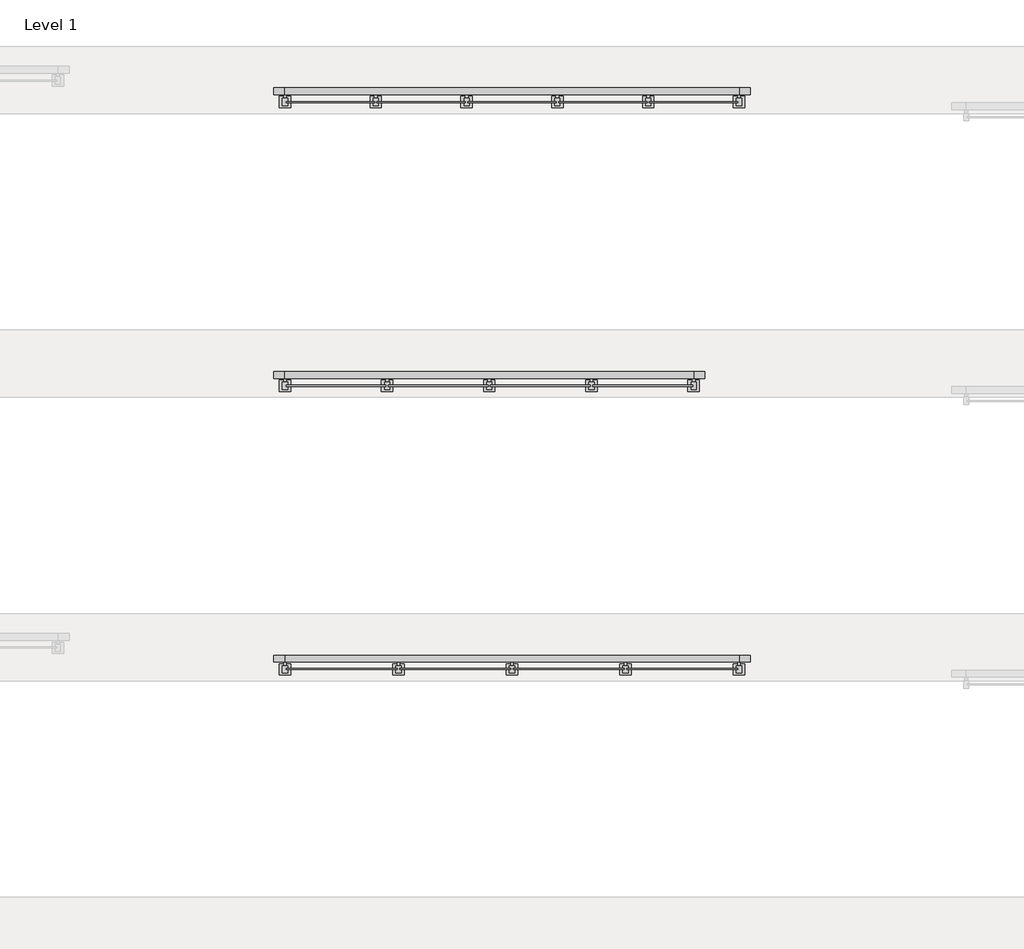
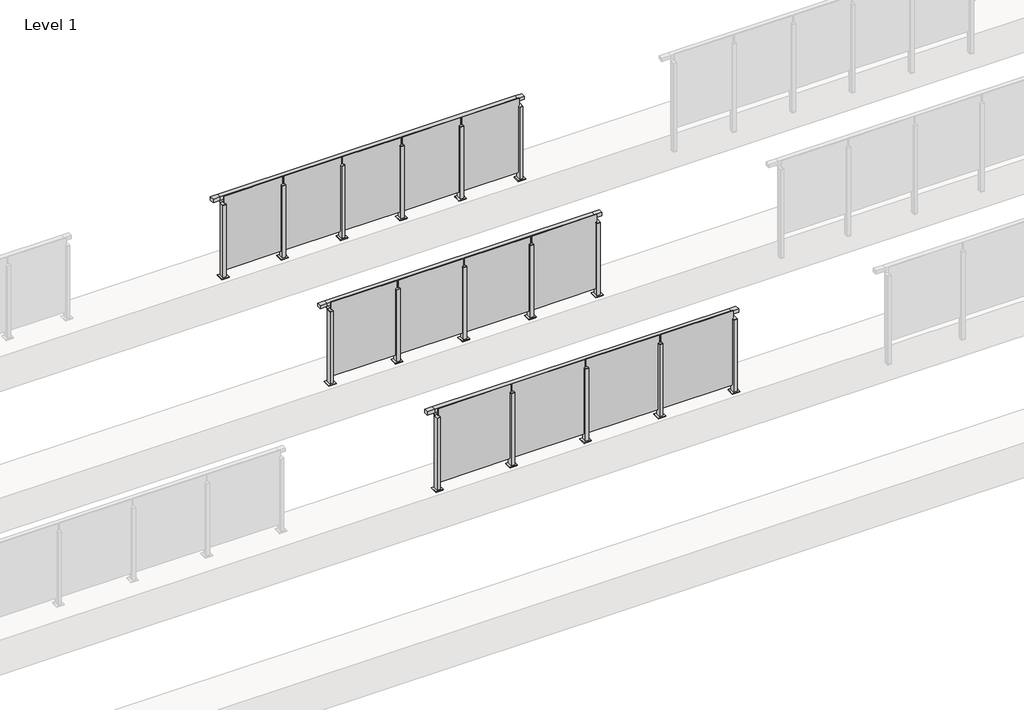
# One storey, part 18 of 38: 3 railings.
"""IFC4 building model written with IfcOpenShell, lengths in millimetres."""

from ifc_helpers import new_model, si_unit, point, frame, frame_2d, origin, origin_with_axes, place, context, project, spatial, polyline, circle_curve, trimmed, segment, composite_curve, outline, extrude, faceted_brep, element, save

model = new_model("IFC4")

# Units and contexts
model_context = context("Model", 3, world=origin())
ifc_project = project(units=[si_unit("LENGTHUNIT", "METRE", prefix="MILLI")], contexts=[model_context])

# Site, building, storey
site = spatial("IfcSite", under=ifc_project)
building = spatial("IfcBuilding", under=site)
storey = spatial("IfcBuildingStorey", under=building, Name="Level 1", Elevation=0.0)

# Railings
placement = place(None, origin())
element("IfcRailing", 1, at=placement, inside=storey, context=model_context, shape_type="SolidModel", body=[
    faceted_brep([(35376.1884576, 2625.6846828, 1100.0), (35376.1884576, 2625.6846828, 1052.5), (35376.1884576, 2565.6846828, 1052.5), (35376.1884576, 2565.6846828, 1100.0), (35476.1884576, 2625.6846828, 1100.0), (35476.1884576, 2625.6846828, 1052.5), (35476.1884576, 2565.6846828, 1052.5), (35476.1884576, 2565.6846828, 1100.0), (39476.1884576, 2625.6846828, 1100.0), (39476.1884576, 2625.6846828, 1052.5), (39476.1884576, 2565.6846828, 1052.5), (39476.1884576, 2565.6846828, 1100.0), (39576.1884576, 2625.6846828, 1100.0), (39576.1884576, 2565.6846828, 1100.0), (39576.1884576, 2565.6846828, 1052.5), (39576.1884576, 2625.6846828, 1052.5)], [[[0, 1, 2, 3]], [[1, 0, 4, 5]], [[2, 1, 5, 6]], [[3, 2, 6, 7]], [[0, 3, 7, 4]], [[5, 4, 8, 9]], [[6, 5, 9, 10]], [[7, 6, 10, 11]], [[4, 7, 11, 8]], [[12, 13, 14, 15]], [[9, 8, 12, 15]], [[10, 9, 15, 14]], [[11, 10, 14, 13]], [[8, 11, 13, 12]]]),
    extrude(outline(polyline([(38486.1884576, 2499.4094929), (38486.1884576, 2509.4094929), (39466.1884576, 2509.4094929), (39466.1884576, 2499.4094929), (38486.1884576, 2499.4094929)])), frame((0.0, 0.0, 95.0), z_axis=(0.0, 0.0, 1.0), x_axis=(1.0, 0.0, 0.0)), (0.0, 0.0, 1.0), 1055.0),
    extrude(outline(composite_curve([segment(polyline([(2620.6846828, 1085.0), (2620.6846828, 1060.900037)]), True, "CONTINUOUS"), segment(trimmed(circle_curve(frame_2d((2610.6846828, 1060.900037)), 10.0), [point((2620.6846828, 1060.900037))], [point((2613.2728733, 1051.2407787))], False, "CARTESIAN"), True, "CONTINUOUS"), segment(polyline([(2613.2728733, 1051.2407787), (2556.2244733, 1035.9547061)]), True, "CONTINUOUS"), segment(trimmed(circle_curve(frame_2d((2558.8126638, 1026.2954478)), 10.0), [point((2556.2244733, 1035.9547061))], [point((2548.8982152, 1027.6007097))], True, "CARTESIAN"), True, "CONTINUOUS"), segment(polyline([(2548.8982152, 1027.6007097), (2544.291393, 992.6084214)]), True, "CONTINUOUS"), segment(trimmed(circle_curve(frame_2d((2541.3170584, 993.0)), 3.0), [point((2544.291393, 992.6084214))], [point((2541.3170584, 990.0))], False, "CARTESIAN"), True, "CONTINUOUS"), segment(polyline([(2541.3170584, 990.0), (2532.6846828, 990.0), (2532.6846828, 1040.0), (2596.6846828, 1057.1487483), (2596.6846828, 1085.0), (2620.6846828, 1085.0)]), True, "CONTINUOUS")], self_intersect=False)), frame((38463.6884576, 0.0, 0.0), z_axis=(1.0, 0.0, 0.0), x_axis=(0.0, 1.0, 0.0)), (0.0, 0.0, 1.0), 25.0),
    extrude(outline(polyline([(38498.6884576, 2532.6846828), (38498.6884576, 2467.6846828), (38453.6884576, 2467.6846828), (38453.6884576, 2532.6846828), (38498.6884576, 2532.6846828)])), frame((0.0, 0.0, 1040.0), z_axis=(0.0, 0.0, 1.0), x_axis=(1.0, 0.0, 0.0)), (0.0, 0.0, 1.0), 5.0),
    extrude(outline(polyline([(38526.1884576, 2550.1846828), (38526.1884576, 2450.1846828), (38426.1884576, 2450.1846828), (38426.1884576, 2550.1846828), (38526.1884576, 2550.1846828)])), origin_with_axes(), (0.0, 0.0, 1.0), 12.0),
    extrude(outline(polyline([(38498.6884576, 2532.6846828), (38498.6884576, 2467.6846828), (38453.6884576, 2467.6846828), (38453.6884576, 2532.6846828), (38498.6884576, 2532.6846828)])), frame((0.0, 0.0, 12.0), z_axis=(0.0, 0.0, 1.0), x_axis=(1.0, 0.0, 0.0)), (0.0, 0.0, 1.0), 1028.0),
    extrude(outline(polyline([(37486.1884576, 2499.4094929), (37486.1884576, 2509.4094929), (38466.1884576, 2509.4094929), (38466.1884576, 2499.4094929), (37486.1884576, 2499.4094929)])), frame((0.0, 0.0, 95.0), z_axis=(0.0, 0.0, 1.0), x_axis=(1.0, 0.0, 0.0)), (0.0, 0.0, 1.0), 1055.0),
    extrude(outline(composite_curve([segment(polyline([(2620.6846828, 1085.0), (2620.6846828, 1060.900037)]), True, "CONTINUOUS"), segment(trimmed(circle_curve(frame_2d((2610.6846828, 1060.900037)), 10.0), [point((2620.6846828, 1060.900037))], [point((2613.2728733, 1051.2407787))], False, "CARTESIAN"), True, "CONTINUOUS"), segment(polyline([(2613.2728733, 1051.2407787), (2556.2244733, 1035.9547061)]), True, "CONTINUOUS"), segment(trimmed(circle_curve(frame_2d((2558.8126638, 1026.2954478)), 10.0), [point((2556.2244733, 1035.9547061))], [point((2548.8982152, 1027.6007097))], True, "CARTESIAN"), True, "CONTINUOUS"), segment(polyline([(2548.8982152, 1027.6007097), (2544.291393, 992.6084214)]), True, "CONTINUOUS"), segment(trimmed(circle_curve(frame_2d((2541.3170584, 993.0)), 3.0), [point((2544.291393, 992.6084214))], [point((2541.3170584, 990.0))], False, "CARTESIAN"), True, "CONTINUOUS"), segment(polyline([(2541.3170584, 990.0), (2532.6846828, 990.0), (2532.6846828, 1040.0), (2596.6846828, 1057.1487483), (2596.6846828, 1085.0), (2620.6846828, 1085.0)]), True, "CONTINUOUS")], self_intersect=False)), frame((37463.6884576, 0.0, 0.0), z_axis=(1.0, 0.0, 0.0), x_axis=(0.0, 1.0, 0.0)), (0.0, 0.0, 1.0), 25.0),
    extrude(outline(polyline([(37498.6884576, 2532.6846828), (37498.6884576, 2467.6846828), (37453.6884576, 2467.6846828), (37453.6884576, 2532.6846828), (37498.6884576, 2532.6846828)])), frame((0.0, 0.0, 1040.0), z_axis=(0.0, 0.0, 1.0), x_axis=(1.0, 0.0, 0.0)), (0.0, 0.0, 1.0), 5.0),
    extrude(outline(polyline([(37526.1884576, 2550.1846828), (37526.1884576, 2450.1846828), (37426.1884576, 2450.1846828), (37426.1884576, 2550.1846828), (37526.1884576, 2550.1846828)])), origin_with_axes(), (0.0, 0.0, 1.0), 12.0),
    extrude(outline(polyline([(37498.6884576, 2532.6846828), (37498.6884576, 2467.6846828), (37453.6884576, 2467.6846828), (37453.6884576, 2532.6846828), (37498.6884576, 2532.6846828)])), frame((0.0, 0.0, 12.0), z_axis=(0.0, 0.0, 1.0), x_axis=(1.0, 0.0, 0.0)), (0.0, 0.0, 1.0), 1028.0),
    extrude(outline(polyline([(36486.1884576, 2499.4094929), (36486.1884576, 2509.4094929), (37466.1884576, 2509.4094929), (37466.1884576, 2499.4094929), (36486.1884576, 2499.4094929)])), frame((0.0, 0.0, 95.0), z_axis=(0.0, 0.0, 1.0), x_axis=(1.0, 0.0, 0.0)), (0.0, 0.0, 1.0), 1055.0),
    extrude(outline(composite_curve([segment(polyline([(2620.6846828, 1085.0), (2620.6846828, 1060.900037)]), True, "CONTINUOUS"), segment(trimmed(circle_curve(frame_2d((2610.6846828, 1060.900037)), 10.0), [point((2620.6846828, 1060.900037))], [point((2613.2728733, 1051.2407787))], False, "CARTESIAN"), True, "CONTINUOUS"), segment(polyline([(2613.2728733, 1051.2407787), (2556.2244733, 1035.9547061)]), True, "CONTINUOUS"), segment(trimmed(circle_curve(frame_2d((2558.8126638, 1026.2954478)), 10.0), [point((2556.2244733, 1035.9547061))], [point((2548.8982152, 1027.6007097))], True, "CARTESIAN"), True, "CONTINUOUS"), segment(polyline([(2548.8982152, 1027.6007097), (2544.291393, 992.6084214)]), True, "CONTINUOUS"), segment(trimmed(circle_curve(frame_2d((2541.3170584, 993.0)), 3.0), [point((2544.291393, 992.6084214))], [point((2541.3170584, 990.0))], False, "CARTESIAN"), True, "CONTINUOUS"), segment(polyline([(2541.3170584, 990.0), (2532.6846828, 990.0), (2532.6846828, 1040.0), (2596.6846828, 1057.1487483), (2596.6846828, 1085.0), (2620.6846828, 1085.0)]), True, "CONTINUOUS")], self_intersect=False)), frame((36463.6884576, 0.0, 0.0), z_axis=(1.0, 0.0, 0.0), x_axis=(0.0, 1.0, 0.0)), (0.0, 0.0, 1.0), 25.0),
    extrude(outline(polyline([(36498.6884576, 2532.6846828), (36498.6884576, 2467.6846828), (36453.6884576, 2467.6846828), (36453.6884576, 2532.6846828), (36498.6884576, 2532.6846828)])), frame((0.0, 0.0, 1040.0), z_axis=(0.0, 0.0, 1.0), x_axis=(1.0, 0.0, 0.0)), (0.0, 0.0, 1.0), 5.0),
    extrude(outline(polyline([(36526.1884576, 2550.1846828), (36526.1884576, 2450.1846828), (36426.1884576, 2450.1846828), (36426.1884576, 2550.1846828), (36526.1884576, 2550.1846828)])), origin_with_axes(), (0.0, 0.0, 1.0), 12.0),
    extrude(outline(polyline([(36498.6884576, 2532.6846828), (36498.6884576, 2467.6846828), (36453.6884576, 2467.6846828), (36453.6884576, 2532.6846828), (36498.6884576, 2532.6846828)])), frame((0.0, 0.0, 12.0), z_axis=(0.0, 0.0, 1.0), x_axis=(1.0, 0.0, 0.0)), (0.0, 0.0, 1.0), 1028.0),
    extrude(outline(polyline([(35486.1884576, 2499.4094929), (35486.1884576, 2509.4094929), (36466.1884576, 2509.4094929), (36466.1884576, 2499.4094929), (35486.1884576, 2499.4094929)])), frame((0.0, 0.0, 95.0), z_axis=(0.0, 0.0, 1.0), x_axis=(1.0, 0.0, 0.0)), (0.0, 0.0, 1.0), 1055.0),
    extrude(outline(composite_curve([segment(polyline([(2620.6846828, 1085.0), (2620.6846828, 1060.900037)]), True, "CONTINUOUS"), segment(trimmed(circle_curve(frame_2d((2610.6846828, 1060.900037)), 10.0), [point((2620.6846828, 1060.900037))], [point((2613.2728733, 1051.2407787))], False, "CARTESIAN"), True, "CONTINUOUS"), segment(polyline([(2613.2728733, 1051.2407787), (2556.2244733, 1035.9547061)]), True, "CONTINUOUS"), segment(trimmed(circle_curve(frame_2d((2558.8126638, 1026.2954478)), 10.0), [point((2556.2244733, 1035.9547061))], [point((2548.8982152, 1027.6007097))], True, "CARTESIAN"), True, "CONTINUOUS"), segment(polyline([(2548.8982152, 1027.6007097), (2544.291393, 992.6084214)]), True, "CONTINUOUS"), segment(trimmed(circle_curve(frame_2d((2541.3170584, 993.0)), 3.0), [point((2544.291393, 992.6084214))], [point((2541.3170584, 990.0))], False, "CARTESIAN"), True, "CONTINUOUS"), segment(polyline([(2541.3170584, 990.0), (2532.6846828, 990.0), (2532.6846828, 1040.0), (2596.6846828, 1057.1487483), (2596.6846828, 1085.0), (2620.6846828, 1085.0)]), True, "CONTINUOUS")], self_intersect=False)), frame((39463.6884576, 0.0, 0.0), z_axis=(1.0, 0.0, 0.0), x_axis=(0.0, 1.0, 0.0)), (0.0, 0.0, 1.0), 25.0),
    extrude(outline(polyline([(39498.6884576, 2532.6846828), (39498.6884576, 2467.6846828), (39453.6884576, 2467.6846828), (39453.6884576, 2532.6846828), (39498.6884576, 2532.6846828)])), frame((0.0, 0.0, 1040.0), z_axis=(0.0, 0.0, 1.0), x_axis=(1.0, 0.0, 0.0)), (0.0, 0.0, 1.0), 5.0),
    extrude(outline(polyline([(39526.1884576, 2550.1846828), (39526.1884576, 2450.1846828), (39426.1884576, 2450.1846828), (39426.1884576, 2550.1846828), (39526.1884576, 2550.1846828)])), origin_with_axes(), (0.0, 0.0, 1.0), 12.0),
    extrude(outline(polyline([(39498.6884576, 2532.6846828), (39498.6884576, 2467.6846828), (39453.6884576, 2467.6846828), (39453.6884576, 2532.6846828), (39498.6884576, 2532.6846828)])), frame((0.0, 0.0, 12.0), z_axis=(0.0, 0.0, 1.0), x_axis=(1.0, 0.0, 0.0)), (0.0, 0.0, 1.0), 1028.0),
    extrude(outline(composite_curve([segment(polyline([(2620.6846828, 1085.0), (2620.6846828, 1060.900037)]), True, "CONTINUOUS"), segment(trimmed(circle_curve(frame_2d((2610.6846828, 1060.900037)), 10.0), [point((2620.6846828, 1060.900037))], [point((2613.2728733, 1051.2407787))], False, "CARTESIAN"), True, "CONTINUOUS"), segment(polyline([(2613.2728733, 1051.2407787), (2556.2244733, 1035.9547061)]), True, "CONTINUOUS"), segment(trimmed(circle_curve(frame_2d((2558.8126638, 1026.2954478)), 10.0), [point((2556.2244733, 1035.9547061))], [point((2548.8982152, 1027.6007097))], True, "CARTESIAN"), True, "CONTINUOUS"), segment(polyline([(2548.8982152, 1027.6007097), (2544.291393, 992.6084214)]), True, "CONTINUOUS"), segment(trimmed(circle_curve(frame_2d((2541.3170584, 993.0)), 3.0), [point((2544.291393, 992.6084214))], [point((2541.3170584, 990.0))], False, "CARTESIAN"), True, "CONTINUOUS"), segment(polyline([(2541.3170584, 990.0), (2532.6846828, 990.0), (2532.6846828, 1040.0), (2596.6846828, 1057.1487483), (2596.6846828, 1085.0), (2620.6846828, 1085.0)]), True, "CONTINUOUS")], self_intersect=False)), frame((35463.6884576, 0.0, 0.0), z_axis=(1.0, 0.0, 0.0), x_axis=(0.0, 1.0, 0.0)), (0.0, 0.0, 1.0), 25.0),
    extrude(outline(polyline([(35498.6884576, 2532.6846828), (35498.6884576, 2467.6846828), (35453.6884576, 2467.6846828), (35453.6884576, 2532.6846828), (35498.6884576, 2532.6846828)])), frame((0.0, 0.0, 1040.0), z_axis=(0.0, 0.0, 1.0), x_axis=(1.0, 0.0, 0.0)), (0.0, 0.0, 1.0), 5.0),
    extrude(outline(polyline([(35526.1884576, 2550.1846828), (35526.1884576, 2450.1846828), (35426.1884576, 2450.1846828), (35426.1884576, 2550.1846828), (35526.1884576, 2550.1846828)])), origin_with_axes(), (0.0, 0.0, 1.0), 12.0),
    extrude(outline(polyline([(35498.6884576, 2532.6846828), (35498.6884576, 2467.6846828), (35453.6884576, 2467.6846828), (35453.6884576, 2532.6846828), (35498.6884576, 2532.6846828)])), frame((0.0, 0.0, 12.0), z_axis=(0.0, 0.0, 1.0), x_axis=(1.0, 0.0, 0.0)), (0.0, 0.0, 1.0), 1028.0),
])
element("IfcRailing", 2, at=placement, inside=storey, context=model_context, shape_type="SolidModel", body=[
    faceted_brep([(35476.1884576, 5125.6846828, 1052.5), (35476.1884576, 5125.6846828, 1100.0), (39076.1884576, 5125.6846828, 1100.0), (39076.1884576, 5125.6846828, 1052.5), (35476.1884576, 5065.6846828, 1052.5), (39076.1884576, 5065.6846828, 1052.5), (35476.1884576, 5065.6846828, 1100.0), (39076.1884576, 5065.6846828, 1100.0), (35376.1884576, 5125.6846828, 1100.0), (35376.1884576, 5125.6846828, 1052.5), (35376.1884576, 5065.6846828, 1052.5), (35376.1884576, 5065.6846828, 1100.0), (39176.1884576, 5125.6846828, 1100.0), (39176.1884576, 5065.6846828, 1100.0), (39176.1884576, 5065.6846828, 1052.5), (39176.1884576, 5125.6846828, 1052.5)], [[[0, 1, 2, 3]], [[4, 0, 3, 5]], [[6, 4, 5, 7]], [[1, 6, 7, 2]], [[8, 9, 10, 11]], [[9, 8, 1, 0]], [[10, 9, 0, 4]], [[11, 10, 4, 6]], [[8, 11, 6, 1]], [[12, 13, 14, 15]], [[3, 2, 12, 15]], [[5, 3, 15, 14]], [[7, 5, 14, 13]], [[2, 7, 13, 12]]]),
    extrude(outline(polyline([(38186.1884576, 4994.4094929), (38186.1884576, 5004.4094929), (39066.1884576, 5004.4094929), (39066.1884576, 4994.4094929), (38186.1884576, 4994.4094929)])), frame((0.0, 0.0, 95.0), z_axis=(0.0, 0.0, 1.0), x_axis=(1.0, 0.0, 0.0)), (0.0, 0.0, 1.0), 1055.0),
    extrude(outline(composite_curve([segment(polyline([(5120.6846828, 1085.0), (5120.6846828, 1060.900037)]), True, "CONTINUOUS"), segment(trimmed(circle_curve(frame_2d((5110.6846828, 1060.900037)), 10.0), [point((5120.6846828, 1060.900037))], [point((5113.2728733, 1051.2407787))], False, "CARTESIAN"), True, "CONTINUOUS"), segment(polyline([(5113.2728733, 1051.2407787), (5056.2244733, 1035.9547061)]), True, "CONTINUOUS"), segment(trimmed(circle_curve(frame_2d((5058.8126638, 1026.2954478)), 10.0), [point((5056.2244733, 1035.9547061))], [point((5048.8982152, 1027.6007097))], True, "CARTESIAN"), True, "CONTINUOUS"), segment(polyline([(5048.8982152, 1027.6007097), (5044.291393, 992.6084214)]), True, "CONTINUOUS"), segment(trimmed(circle_curve(frame_2d((5041.3170584, 993.0)), 3.0), [point((5044.291393, 992.6084214))], [point((5041.3170584, 990.0))], False, "CARTESIAN"), True, "CONTINUOUS"), segment(polyline([(5041.3170584, 990.0), (5032.6846828, 990.0), (5032.6846828, 1040.0), (5096.6846828, 1057.1487483), (5096.6846828, 1085.0), (5120.6846828, 1085.0)]), True, "CONTINUOUS")], self_intersect=False)), frame((38163.6884576, 0.0, 0.0), z_axis=(1.0, 0.0, 0.0), x_axis=(0.0, 1.0, 0.0)), (0.0, 0.0, 1.0), 25.0),
    extrude(outline(polyline([(38198.6884576, 5032.6846828), (38198.6884576, 4967.6846828), (38153.6884576, 4967.6846828), (38153.6884576, 5032.6846828), (38198.6884576, 5032.6846828)])), frame((0.0, 0.0, 1040.0), z_axis=(0.0, 0.0, 1.0), x_axis=(1.0, 0.0, 0.0)), (0.0, 0.0, 1.0), 5.0),
    extrude(outline(polyline([(38226.1884576, 5050.1846828), (38226.1884576, 4950.1846828), (38126.1884576, 4950.1846828), (38126.1884576, 5050.1846828), (38226.1884576, 5050.1846828)])), origin_with_axes(), (0.0, 0.0, 1.0), 12.0),
    extrude(outline(polyline([(38198.6884576, 5032.6846828), (38198.6884576, 4967.6846828), (38153.6884576, 4967.6846828), (38153.6884576, 5032.6846828), (38198.6884576, 5032.6846828)])), frame((0.0, 0.0, 12.0), z_axis=(0.0, 0.0, 1.0), x_axis=(1.0, 0.0, 0.0)), (0.0, 0.0, 1.0), 1028.0),
    extrude(outline(polyline([(37286.1884576, 4994.4094929), (37286.1884576, 5004.4094929), (38166.1884576, 5004.4094929), (38166.1884576, 4994.4094929), (37286.1884576, 4994.4094929)])), frame((0.0, 0.0, 95.0), z_axis=(0.0, 0.0, 1.0), x_axis=(1.0, 0.0, 0.0)), (0.0, 0.0, 1.0), 1055.0),
    extrude(outline(composite_curve([segment(polyline([(5120.6846828, 1085.0), (5120.6846828, 1060.900037)]), True, "CONTINUOUS"), segment(trimmed(circle_curve(frame_2d((5110.6846828, 1060.900037)), 10.0), [point((5120.6846828, 1060.900037))], [point((5113.2728733, 1051.2407787))], False, "CARTESIAN"), True, "CONTINUOUS"), segment(polyline([(5113.2728733, 1051.2407787), (5056.2244733, 1035.9547061)]), True, "CONTINUOUS"), segment(trimmed(circle_curve(frame_2d((5058.8126638, 1026.2954478)), 10.0), [point((5056.2244733, 1035.9547061))], [point((5048.8982152, 1027.6007097))], True, "CARTESIAN"), True, "CONTINUOUS"), segment(polyline([(5048.8982152, 1027.6007097), (5044.291393, 992.6084214)]), True, "CONTINUOUS"), segment(trimmed(circle_curve(frame_2d((5041.3170584, 993.0)), 3.0), [point((5044.291393, 992.6084214))], [point((5041.3170584, 990.0))], False, "CARTESIAN"), True, "CONTINUOUS"), segment(polyline([(5041.3170584, 990.0), (5032.6846828, 990.0), (5032.6846828, 1040.0), (5096.6846828, 1057.1487483), (5096.6846828, 1085.0), (5120.6846828, 1085.0)]), True, "CONTINUOUS")], self_intersect=False)), frame((37263.6884576, 0.0, 0.0), z_axis=(1.0, 0.0, 0.0), x_axis=(0.0, 1.0, 0.0)), (0.0, 0.0, 1.0), 25.0),
    extrude(outline(polyline([(37298.6884576, 5032.6846828), (37298.6884576, 4967.6846828), (37253.6884576, 4967.6846828), (37253.6884576, 5032.6846828), (37298.6884576, 5032.6846828)])), frame((0.0, 0.0, 1040.0), z_axis=(0.0, 0.0, 1.0), x_axis=(1.0, 0.0, 0.0)), (0.0, 0.0, 1.0), 5.0),
    extrude(outline(polyline([(37326.1884576, 5050.1846828), (37326.1884576, 4950.1846828), (37226.1884576, 4950.1846828), (37226.1884576, 5050.1846828), (37326.1884576, 5050.1846828)])), origin_with_axes(), (0.0, 0.0, 1.0), 12.0),
    extrude(outline(polyline([(37298.6884576, 5032.6846828), (37298.6884576, 4967.6846828), (37253.6884576, 4967.6846828), (37253.6884576, 5032.6846828), (37298.6884576, 5032.6846828)])), frame((0.0, 0.0, 12.0), z_axis=(0.0, 0.0, 1.0), x_axis=(1.0, 0.0, 0.0)), (0.0, 0.0, 1.0), 1028.0),
    extrude(outline(polyline([(36386.1884576, 4994.4094929), (36386.1884576, 5004.4094929), (37266.1884576, 5004.4094929), (37266.1884576, 4994.4094929), (36386.1884576, 4994.4094929)])), frame((0.0, 0.0, 95.0), z_axis=(0.0, 0.0, 1.0), x_axis=(1.0, 0.0, 0.0)), (0.0, 0.0, 1.0), 1055.0),
    extrude(outline(composite_curve([segment(polyline([(5120.6846828, 1085.0), (5120.6846828, 1060.900037)]), True, "CONTINUOUS"), segment(trimmed(circle_curve(frame_2d((5110.6846828, 1060.900037)), 10.0), [point((5120.6846828, 1060.900037))], [point((5113.2728733, 1051.2407787))], False, "CARTESIAN"), True, "CONTINUOUS"), segment(polyline([(5113.2728733, 1051.2407787), (5056.2244733, 1035.9547061)]), True, "CONTINUOUS"), segment(trimmed(circle_curve(frame_2d((5058.8126638, 1026.2954478)), 10.0), [point((5056.2244733, 1035.9547061))], [point((5048.8982152, 1027.6007097))], True, "CARTESIAN"), True, "CONTINUOUS"), segment(polyline([(5048.8982152, 1027.6007097), (5044.291393, 992.6084214)]), True, "CONTINUOUS"), segment(trimmed(circle_curve(frame_2d((5041.3170584, 993.0)), 3.0), [point((5044.291393, 992.6084214))], [point((5041.3170584, 990.0))], False, "CARTESIAN"), True, "CONTINUOUS"), segment(polyline([(5041.3170584, 990.0), (5032.6846828, 990.0), (5032.6846828, 1040.0), (5096.6846828, 1057.1487483), (5096.6846828, 1085.0), (5120.6846828, 1085.0)]), True, "CONTINUOUS")], self_intersect=False)), frame((36363.6884576, 0.0, 0.0), z_axis=(1.0, 0.0, 0.0), x_axis=(0.0, 1.0, 0.0)), (0.0, 0.0, 1.0), 25.0),
    extrude(outline(polyline([(36398.6884576, 5032.6846828), (36398.6884576, 4967.6846828), (36353.6884576, 4967.6846828), (36353.6884576, 5032.6846828), (36398.6884576, 5032.6846828)])), frame((0.0, 0.0, 1040.0), z_axis=(0.0, 0.0, 1.0), x_axis=(1.0, 0.0, 0.0)), (0.0, 0.0, 1.0), 5.0),
    extrude(outline(polyline([(36426.1884576, 5050.1846828), (36426.1884576, 4950.1846828), (36326.1884576, 4950.1846828), (36326.1884576, 5050.1846828), (36426.1884576, 5050.1846828)])), origin_with_axes(), (0.0, 0.0, 1.0), 12.0),
    extrude(outline(polyline([(36398.6884576, 5032.6846828), (36398.6884576, 4967.6846828), (36353.6884576, 4967.6846828), (36353.6884576, 5032.6846828), (36398.6884576, 5032.6846828)])), frame((0.0, 0.0, 12.0), z_axis=(0.0, 0.0, 1.0), x_axis=(1.0, 0.0, 0.0)), (0.0, 0.0, 1.0), 1028.0),
    extrude(outline(polyline([(35486.1884576, 4994.4094929), (35486.1884576, 5004.4094929), (36366.1884576, 5004.4094929), (36366.1884576, 4994.4094929), (35486.1884576, 4994.4094929)])), frame((0.0, 0.0, 95.0), z_axis=(0.0, 0.0, 1.0), x_axis=(1.0, 0.0, 0.0)), (0.0, 0.0, 1.0), 1055.0),
    extrude(outline(composite_curve([segment(polyline([(5120.6846828, 1085.0), (5120.6846828, 1060.900037)]), True, "CONTINUOUS"), segment(trimmed(circle_curve(frame_2d((5110.6846828, 1060.900037)), 10.0), [point((5120.6846828, 1060.900037))], [point((5113.2728733, 1051.2407787))], False, "CARTESIAN"), True, "CONTINUOUS"), segment(polyline([(5113.2728733, 1051.2407787), (5056.2244733, 1035.9547061)]), True, "CONTINUOUS"), segment(trimmed(circle_curve(frame_2d((5058.8126638, 1026.2954478)), 10.0), [point((5056.2244733, 1035.9547061))], [point((5048.8982152, 1027.6007097))], True, "CARTESIAN"), True, "CONTINUOUS"), segment(polyline([(5048.8982152, 1027.6007097), (5044.291393, 992.6084214)]), True, "CONTINUOUS"), segment(trimmed(circle_curve(frame_2d((5041.3170584, 993.0)), 3.0), [point((5044.291393, 992.6084214))], [point((5041.3170584, 990.0))], False, "CARTESIAN"), True, "CONTINUOUS"), segment(polyline([(5041.3170584, 990.0), (5032.6846828, 990.0), (5032.6846828, 1040.0), (5096.6846828, 1057.1487483), (5096.6846828, 1085.0), (5120.6846828, 1085.0)]), True, "CONTINUOUS")], self_intersect=False)), frame((39063.6884576, 0.0, 0.0), z_axis=(1.0, 0.0, 0.0), x_axis=(0.0, 1.0, 0.0)), (0.0, 0.0, 1.0), 25.0),
    extrude(outline(polyline([(39098.6884576, 5032.6846828), (39098.6884576, 4967.6846828), (39053.6884576, 4967.6846828), (39053.6884576, 5032.6846828), (39098.6884576, 5032.6846828)])), frame((0.0, 0.0, 1040.0), z_axis=(0.0, 0.0, 1.0), x_axis=(1.0, 0.0, 0.0)), (0.0, 0.0, 1.0), 5.0),
    extrude(outline(polyline([(39126.1884576, 5050.1846828), (39126.1884576, 4950.1846828), (39026.1884576, 4950.1846828), (39026.1884576, 5050.1846828), (39126.1884576, 5050.1846828)])), origin_with_axes(), (0.0, 0.0, 1.0), 12.0),
    extrude(outline(polyline([(39098.6884576, 5032.6846828), (39098.6884576, 4967.6846828), (39053.6884576, 4967.6846828), (39053.6884576, 5032.6846828), (39098.6884576, 5032.6846828)])), frame((0.0, 0.0, 12.0), z_axis=(0.0, 0.0, 1.0), x_axis=(1.0, 0.0, 0.0)), (0.0, 0.0, 1.0), 1028.0),
    extrude(outline(composite_curve([segment(polyline([(5120.6846828, 1085.0), (5120.6846828, 1060.900037)]), True, "CONTINUOUS"), segment(trimmed(circle_curve(frame_2d((5110.6846828, 1060.900037)), 10.0), [point((5120.6846828, 1060.900037))], [point((5113.2728733, 1051.2407787))], False, "CARTESIAN"), True, "CONTINUOUS"), segment(polyline([(5113.2728733, 1051.2407787), (5056.2244733, 1035.9547061)]), True, "CONTINUOUS"), segment(trimmed(circle_curve(frame_2d((5058.8126638, 1026.2954478)), 10.0), [point((5056.2244733, 1035.9547061))], [point((5048.8982152, 1027.6007097))], True, "CARTESIAN"), True, "CONTINUOUS"), segment(polyline([(5048.8982152, 1027.6007097), (5044.291393, 992.6084214)]), True, "CONTINUOUS"), segment(trimmed(circle_curve(frame_2d((5041.3170584, 993.0)), 3.0), [point((5044.291393, 992.6084214))], [point((5041.3170584, 990.0))], False, "CARTESIAN"), True, "CONTINUOUS"), segment(polyline([(5041.3170584, 990.0), (5032.6846828, 990.0), (5032.6846828, 1040.0), (5096.6846828, 1057.1487483), (5096.6846828, 1085.0), (5120.6846828, 1085.0)]), True, "CONTINUOUS")], self_intersect=False)), frame((35463.6884576, 0.0, 0.0), z_axis=(1.0, 0.0, 0.0), x_axis=(0.0, 1.0, 0.0)), (0.0, 0.0, 1.0), 25.0),
    extrude(outline(polyline([(35498.6884576, 5032.6846828), (35498.6884576, 4967.6846828), (35453.6884576, 4967.6846828), (35453.6884576, 5032.6846828), (35498.6884576, 5032.6846828)])), frame((0.0, 0.0, 1040.0), z_axis=(0.0, 0.0, 1.0), x_axis=(1.0, 0.0, 0.0)), (0.0, 0.0, 1.0), 5.0),
    extrude(outline(polyline([(35526.1884576, 5050.1846828), (35526.1884576, 4950.1846828), (35426.1884576, 4950.1846828), (35426.1884576, 5050.1846828), (35526.1884576, 5050.1846828)])), origin_with_axes(), (0.0, 0.0, 1.0), 12.0),
    extrude(outline(polyline([(35498.6884576, 5032.6846828), (35498.6884576, 4967.6846828), (35453.6884576, 4967.6846828), (35453.6884576, 5032.6846828), (35498.6884576, 5032.6846828)])), frame((0.0, 0.0, 12.0), z_axis=(0.0, 0.0, 1.0), x_axis=(1.0, 0.0, 0.0)), (0.0, 0.0, 1.0), 1028.0),
])
element("IfcRailing", 3, at=placement, inside=storey, context=model_context, shape_type="SolidModel", body=[
    faceted_brep([(35476.1884576, 7625.6846828, 1052.5), (35476.1884576, 7625.6846828, 1100.0), (39476.1884576, 7625.6846828, 1100.0), (39476.1884576, 7625.6846828, 1052.5), (35476.1884576, 7565.6846828, 1052.5), (39476.1884576, 7565.6846828, 1052.5), (35476.1884576, 7565.6846828, 1100.0), (39476.1884576, 7565.6846828, 1100.0), (35376.1884576, 7625.6846828, 1100.0), (35376.1884576, 7625.6846828, 1052.5), (35376.1884576, 7565.6846828, 1052.5), (35376.1884576, 7565.6846828, 1100.0), (39576.1884576, 7625.6846828, 1100.0), (39576.1884576, 7565.6846828, 1100.0), (39576.1884576, 7565.6846828, 1052.5), (39576.1884576, 7625.6846828, 1052.5)], [[[0, 1, 2, 3]], [[4, 0, 3, 5]], [[6, 4, 5, 7]], [[1, 6, 7, 2]], [[8, 9, 10, 11]], [[9, 8, 1, 0]], [[10, 9, 0, 4]], [[11, 10, 4, 6]], [[8, 11, 6, 1]], [[12, 13, 14, 15]], [[3, 2, 12, 15]], [[5, 3, 15, 14]], [[7, 5, 14, 13]], [[2, 7, 13, 12]]]),
    extrude(outline(polyline([(38686.1884576, 7494.4094929), (38686.1884576, 7504.4094929), (39466.1884576, 7504.4094929), (39466.1884576, 7494.4094929), (38686.1884576, 7494.4094929)])), frame((0.0, 0.0, 95.0), z_axis=(0.0, 0.0, 1.0), x_axis=(1.0, 0.0, 0.0)), (0.0, 0.0, 1.0), 1055.0),
    extrude(outline(composite_curve([segment(polyline([(7620.6846828, 1085.0), (7620.6846828, 1060.900037)]), True, "CONTINUOUS"), segment(trimmed(circle_curve(frame_2d((7610.6846828, 1060.900037)), 10.0), [point((7620.6846828, 1060.900037))], [point((7613.2728733, 1051.2407787))], False, "CARTESIAN"), True, "CONTINUOUS"), segment(polyline([(7613.2728733, 1051.2407787), (7556.2244733, 1035.9547061)]), True, "CONTINUOUS"), segment(trimmed(circle_curve(frame_2d((7558.8126638, 1026.2954478)), 10.0), [point((7556.2244733, 1035.9547061))], [point((7548.8982152, 1027.6007097))], True, "CARTESIAN"), True, "CONTINUOUS"), segment(polyline([(7548.8982152, 1027.6007097), (7544.291393, 992.6084214)]), True, "CONTINUOUS"), segment(trimmed(circle_curve(frame_2d((7541.3170584, 993.0)), 3.0), [point((7544.291393, 992.6084214))], [point((7541.3170584, 990.0))], False, "CARTESIAN"), True, "CONTINUOUS"), segment(polyline([(7541.3170584, 990.0), (7532.6846828, 990.0), (7532.6846828, 1040.0), (7596.6846828, 1057.1487483), (7596.6846828, 1085.0), (7620.6846828, 1085.0)]), True, "CONTINUOUS")], self_intersect=False)), frame((38663.6884576, 0.0, 0.0), z_axis=(1.0, 0.0, 0.0), x_axis=(0.0, 1.0, 0.0)), (0.0, 0.0, 1.0), 25.0),
    extrude(outline(polyline([(38698.6884576, 7532.6846828), (38698.6884576, 7467.6846828), (38653.6884576, 7467.6846828), (38653.6884576, 7532.6846828), (38698.6884576, 7532.6846828)])), frame((0.0, 0.0, 1040.0), z_axis=(0.0, 0.0, 1.0), x_axis=(1.0, 0.0, 0.0)), (0.0, 0.0, 1.0), 5.0),
    extrude(outline(polyline([(38726.1884576, 7550.1846828), (38726.1884576, 7450.1846828), (38626.1884576, 7450.1846828), (38626.1884576, 7550.1846828), (38726.1884576, 7550.1846828)])), origin_with_axes(), (0.0, 0.0, 1.0), 12.0),
    extrude(outline(polyline([(38698.6884576, 7532.6846828), (38698.6884576, 7467.6846828), (38653.6884576, 7467.6846828), (38653.6884576, 7532.6846828), (38698.6884576, 7532.6846828)])), frame((0.0, 0.0, 12.0), z_axis=(0.0, 0.0, 1.0), x_axis=(1.0, 0.0, 0.0)), (0.0, 0.0, 1.0), 1028.0),
    extrude(outline(polyline([(37886.1884576, 7494.4094929), (37886.1884576, 7504.4094929), (38666.1884576, 7504.4094929), (38666.1884576, 7494.4094929), (37886.1884576, 7494.4094929)])), frame((0.0, 0.0, 95.0), z_axis=(0.0, 0.0, 1.0), x_axis=(1.0, 0.0, 0.0)), (0.0, 0.0, 1.0), 1055.0),
    extrude(outline(composite_curve([segment(polyline([(7620.6846828, 1085.0), (7620.6846828, 1060.900037)]), True, "CONTINUOUS"), segment(trimmed(circle_curve(frame_2d((7610.6846828, 1060.900037)), 10.0), [point((7620.6846828, 1060.900037))], [point((7613.2728733, 1051.2407787))], False, "CARTESIAN"), True, "CONTINUOUS"), segment(polyline([(7613.2728733, 1051.2407787), (7556.2244733, 1035.9547061)]), True, "CONTINUOUS"), segment(trimmed(circle_curve(frame_2d((7558.8126638, 1026.2954478)), 10.0), [point((7556.2244733, 1035.9547061))], [point((7548.8982152, 1027.6007097))], True, "CARTESIAN"), True, "CONTINUOUS"), segment(polyline([(7548.8982152, 1027.6007097), (7544.291393, 992.6084214)]), True, "CONTINUOUS"), segment(trimmed(circle_curve(frame_2d((7541.3170584, 993.0)), 3.0), [point((7544.291393, 992.6084214))], [point((7541.3170584, 990.0))], False, "CARTESIAN"), True, "CONTINUOUS"), segment(polyline([(7541.3170584, 990.0), (7532.6846828, 990.0), (7532.6846828, 1040.0), (7596.6846828, 1057.1487483), (7596.6846828, 1085.0), (7620.6846828, 1085.0)]), True, "CONTINUOUS")], self_intersect=False)), frame((37863.6884576, 0.0, 0.0), z_axis=(1.0, 0.0, 0.0), x_axis=(0.0, 1.0, 0.0)), (0.0, 0.0, 1.0), 25.0),
    extrude(outline(polyline([(37898.6884576, 7532.6846828), (37898.6884576, 7467.6846828), (37853.6884576, 7467.6846828), (37853.6884576, 7532.6846828), (37898.6884576, 7532.6846828)])), frame((0.0, 0.0, 1040.0), z_axis=(0.0, 0.0, 1.0), x_axis=(1.0, 0.0, 0.0)), (0.0, 0.0, 1.0), 5.0),
    extrude(outline(polyline([(37926.1884576, 7550.1846828), (37926.1884576, 7450.1846828), (37826.1884576, 7450.1846828), (37826.1884576, 7550.1846828), (37926.1884576, 7550.1846828)])), origin_with_axes(), (0.0, 0.0, 1.0), 12.0),
    extrude(outline(polyline([(37898.6884576, 7532.6846828), (37898.6884576, 7467.6846828), (37853.6884576, 7467.6846828), (37853.6884576, 7532.6846828), (37898.6884576, 7532.6846828)])), frame((0.0, 0.0, 12.0), z_axis=(0.0, 0.0, 1.0), x_axis=(1.0, 0.0, 0.0)), (0.0, 0.0, 1.0), 1028.0),
    extrude(outline(polyline([(37086.1884576, 7494.4094929), (37086.1884576, 7504.4094929), (37866.1884576, 7504.4094929), (37866.1884576, 7494.4094929), (37086.1884576, 7494.4094929)])), frame((0.0, 0.0, 95.0), z_axis=(0.0, 0.0, 1.0), x_axis=(1.0, 0.0, 0.0)), (0.0, 0.0, 1.0), 1055.0),
    extrude(outline(composite_curve([segment(polyline([(7620.6846828, 1085.0), (7620.6846828, 1060.900037)]), True, "CONTINUOUS"), segment(trimmed(circle_curve(frame_2d((7610.6846828, 1060.900037)), 10.0), [point((7620.6846828, 1060.900037))], [point((7613.2728733, 1051.2407787))], False, "CARTESIAN"), True, "CONTINUOUS"), segment(polyline([(7613.2728733, 1051.2407787), (7556.2244733, 1035.9547061)]), True, "CONTINUOUS"), segment(trimmed(circle_curve(frame_2d((7558.8126638, 1026.2954478)), 10.0), [point((7556.2244733, 1035.9547061))], [point((7548.8982152, 1027.6007097))], True, "CARTESIAN"), True, "CONTINUOUS"), segment(polyline([(7548.8982152, 1027.6007097), (7544.291393, 992.6084214)]), True, "CONTINUOUS"), segment(trimmed(circle_curve(frame_2d((7541.3170584, 993.0)), 3.0), [point((7544.291393, 992.6084214))], [point((7541.3170584, 990.0))], False, "CARTESIAN"), True, "CONTINUOUS"), segment(polyline([(7541.3170584, 990.0), (7532.6846828, 990.0), (7532.6846828, 1040.0), (7596.6846828, 1057.1487483), (7596.6846828, 1085.0), (7620.6846828, 1085.0)]), True, "CONTINUOUS")], self_intersect=False)), frame((37063.6884576, 0.0, 0.0), z_axis=(1.0, 0.0, 0.0), x_axis=(0.0, 1.0, 0.0)), (0.0, 0.0, 1.0), 25.0),
    extrude(outline(polyline([(37098.6884576, 7532.6846828), (37098.6884576, 7467.6846828), (37053.6884576, 7467.6846828), (37053.6884576, 7532.6846828), (37098.6884576, 7532.6846828)])), frame((0.0, 0.0, 1040.0), z_axis=(0.0, 0.0, 1.0), x_axis=(1.0, 0.0, 0.0)), (0.0, 0.0, 1.0), 5.0),
    extrude(outline(polyline([(37126.1884576, 7550.1846828), (37126.1884576, 7450.1846828), (37026.1884576, 7450.1846828), (37026.1884576, 7550.1846828), (37126.1884576, 7550.1846828)])), origin_with_axes(), (0.0, 0.0, 1.0), 12.0),
    extrude(outline(polyline([(37098.6884576, 7532.6846828), (37098.6884576, 7467.6846828), (37053.6884576, 7467.6846828), (37053.6884576, 7532.6846828), (37098.6884576, 7532.6846828)])), frame((0.0, 0.0, 12.0), z_axis=(0.0, 0.0, 1.0), x_axis=(1.0, 0.0, 0.0)), (0.0, 0.0, 1.0), 1028.0),
    extrude(outline(polyline([(36286.1884576, 7494.4094929), (36286.1884576, 7504.4094929), (37066.1884576, 7504.4094929), (37066.1884576, 7494.4094929), (36286.1884576, 7494.4094929)])), frame((0.0, 0.0, 95.0), z_axis=(0.0, 0.0, 1.0), x_axis=(1.0, 0.0, 0.0)), (0.0, 0.0, 1.0), 1055.0),
    extrude(outline(composite_curve([segment(polyline([(7620.6846828, 1085.0), (7620.6846828, 1060.900037)]), True, "CONTINUOUS"), segment(trimmed(circle_curve(frame_2d((7610.6846828, 1060.900037)), 10.0), [point((7620.6846828, 1060.900037))], [point((7613.2728733, 1051.2407787))], False, "CARTESIAN"), True, "CONTINUOUS"), segment(polyline([(7613.2728733, 1051.2407787), (7556.2244733, 1035.9547061)]), True, "CONTINUOUS"), segment(trimmed(circle_curve(frame_2d((7558.8126638, 1026.2954478)), 10.0), [point((7556.2244733, 1035.9547061))], [point((7548.8982152, 1027.6007097))], True, "CARTESIAN"), True, "CONTINUOUS"), segment(polyline([(7548.8982152, 1027.6007097), (7544.291393, 992.6084214)]), True, "CONTINUOUS"), segment(trimmed(circle_curve(frame_2d((7541.3170584, 993.0)), 3.0), [point((7544.291393, 992.6084214))], [point((7541.3170584, 990.0))], False, "CARTESIAN"), True, "CONTINUOUS"), segment(polyline([(7541.3170584, 990.0), (7532.6846828, 990.0), (7532.6846828, 1040.0), (7596.6846828, 1057.1487483), (7596.6846828, 1085.0), (7620.6846828, 1085.0)]), True, "CONTINUOUS")], self_intersect=False)), frame((36263.6884576, 0.0, 0.0), z_axis=(1.0, 0.0, 0.0), x_axis=(0.0, 1.0, 0.0)), (0.0, 0.0, 1.0), 25.0),
    extrude(outline(polyline([(36298.6884576, 7532.6846828), (36298.6884576, 7467.6846828), (36253.6884576, 7467.6846828), (36253.6884576, 7532.6846828), (36298.6884576, 7532.6846828)])), frame((0.0, 0.0, 1040.0), z_axis=(0.0, 0.0, 1.0), x_axis=(1.0, 0.0, 0.0)), (0.0, 0.0, 1.0), 5.0),
    extrude(outline(polyline([(36326.1884576, 7550.1846828), (36326.1884576, 7450.1846828), (36226.1884576, 7450.1846828), (36226.1884576, 7550.1846828), (36326.1884576, 7550.1846828)])), origin_with_axes(), (0.0, 0.0, 1.0), 12.0),
    extrude(outline(polyline([(36298.6884576, 7532.6846828), (36298.6884576, 7467.6846828), (36253.6884576, 7467.6846828), (36253.6884576, 7532.6846828), (36298.6884576, 7532.6846828)])), frame((0.0, 0.0, 12.0), z_axis=(0.0, 0.0, 1.0), x_axis=(1.0, 0.0, 0.0)), (0.0, 0.0, 1.0), 1028.0),
    extrude(outline(polyline([(35486.1884576, 7494.4094929), (35486.1884576, 7504.4094929), (36266.1884576, 7504.4094929), (36266.1884576, 7494.4094929), (35486.1884576, 7494.4094929)])), frame((0.0, 0.0, 95.0), z_axis=(0.0, 0.0, 1.0), x_axis=(1.0, 0.0, 0.0)), (0.0, 0.0, 1.0), 1055.0),
    extrude(outline(composite_curve([segment(polyline([(7620.6846828, 1085.0), (7620.6846828, 1060.900037)]), True, "CONTINUOUS"), segment(trimmed(circle_curve(frame_2d((7610.6846828, 1060.900037)), 10.0), [point((7620.6846828, 1060.900037))], [point((7613.2728733, 1051.2407787))], False, "CARTESIAN"), True, "CONTINUOUS"), segment(polyline([(7613.2728733, 1051.2407787), (7556.2244733, 1035.9547061)]), True, "CONTINUOUS"), segment(trimmed(circle_curve(frame_2d((7558.8126638, 1026.2954478)), 10.0), [point((7556.2244733, 1035.9547061))], [point((7548.8982152, 1027.6007097))], True, "CARTESIAN"), True, "CONTINUOUS"), segment(polyline([(7548.8982152, 1027.6007097), (7544.291393, 992.6084214)]), True, "CONTINUOUS"), segment(trimmed(circle_curve(frame_2d((7541.3170584, 993.0)), 3.0), [point((7544.291393, 992.6084214))], [point((7541.3170584, 990.0))], False, "CARTESIAN"), True, "CONTINUOUS"), segment(polyline([(7541.3170584, 990.0), (7532.6846828, 990.0), (7532.6846828, 1040.0), (7596.6846828, 1057.1487483), (7596.6846828, 1085.0), (7620.6846828, 1085.0)]), True, "CONTINUOUS")], self_intersect=False)), frame((39463.6884576, 0.0, 0.0), z_axis=(1.0, 0.0, 0.0), x_axis=(0.0, 1.0, 0.0)), (0.0, 0.0, 1.0), 25.0),
    extrude(outline(polyline([(39498.6884576, 7532.6846828), (39498.6884576, 7467.6846828), (39453.6884576, 7467.6846828), (39453.6884576, 7532.6846828), (39498.6884576, 7532.6846828)])), frame((0.0, 0.0, 1040.0), z_axis=(0.0, 0.0, 1.0), x_axis=(1.0, 0.0, 0.0)), (0.0, 0.0, 1.0), 5.0),
    extrude(outline(polyline([(39526.1884576, 7550.1846828), (39526.1884576, 7450.1846828), (39426.1884576, 7450.1846828), (39426.1884576, 7550.1846828), (39526.1884576, 7550.1846828)])), origin_with_axes(), (0.0, 0.0, 1.0), 12.0),
    extrude(outline(polyline([(39498.6884576, 7532.6846828), (39498.6884576, 7467.6846828), (39453.6884576, 7467.6846828), (39453.6884576, 7532.6846828), (39498.6884576, 7532.6846828)])), frame((0.0, 0.0, 12.0), z_axis=(0.0, 0.0, 1.0), x_axis=(1.0, 0.0, 0.0)), (0.0, 0.0, 1.0), 1028.0),
    extrude(outline(composite_curve([segment(polyline([(7620.6846828, 1085.0), (7620.6846828, 1060.900037)]), True, "CONTINUOUS"), segment(trimmed(circle_curve(frame_2d((7610.6846828, 1060.900037)), 10.0), [point((7620.6846828, 1060.900037))], [point((7613.2728733, 1051.2407787))], False, "CARTESIAN"), True, "CONTINUOUS"), segment(polyline([(7613.2728733, 1051.2407787), (7556.2244733, 1035.9547061)]), True, "CONTINUOUS"), segment(trimmed(circle_curve(frame_2d((7558.8126638, 1026.2954478)), 10.0), [point((7556.2244733, 1035.9547061))], [point((7548.8982152, 1027.6007097))], True, "CARTESIAN"), True, "CONTINUOUS"), segment(polyline([(7548.8982152, 1027.6007097), (7544.291393, 992.6084214)]), True, "CONTINUOUS"), segment(trimmed(circle_curve(frame_2d((7541.3170584, 993.0)), 3.0), [point((7544.291393, 992.6084214))], [point((7541.3170584, 990.0))], False, "CARTESIAN"), True, "CONTINUOUS"), segment(polyline([(7541.3170584, 990.0), (7532.6846828, 990.0), (7532.6846828, 1040.0), (7596.6846828, 1057.1487483), (7596.6846828, 1085.0), (7620.6846828, 1085.0)]), True, "CONTINUOUS")], self_intersect=False)), frame((35463.6884576, 0.0, 0.0), z_axis=(1.0, 0.0, 0.0), x_axis=(0.0, 1.0, 0.0)), (0.0, 0.0, 1.0), 25.0),
    extrude(outline(polyline([(35498.6884576, 7532.6846828), (35498.6884576, 7467.6846828), (35453.6884576, 7467.6846828), (35453.6884576, 7532.6846828), (35498.6884576, 7532.6846828)])), frame((0.0, 0.0, 1040.0), z_axis=(0.0, 0.0, 1.0), x_axis=(1.0, 0.0, 0.0)), (0.0, 0.0, 1.0), 5.0),
    extrude(outline(polyline([(35526.1884576, 7550.1846828), (35526.1884576, 7450.1846828), (35426.1884576, 7450.1846828), (35426.1884576, 7550.1846828), (35526.1884576, 7550.1846828)])), origin_with_axes(), (0.0, 0.0, 1.0), 12.0),
    extrude(outline(polyline([(35498.6884576, 7532.6846828), (35498.6884576, 7467.6846828), (35453.6884576, 7467.6846828), (35453.6884576, 7532.6846828), (35498.6884576, 7532.6846828)])), frame((0.0, 0.0, 12.0), z_axis=(0.0, 0.0, 1.0), x_axis=(1.0, 0.0, 0.0)), (0.0, 0.0, 1.0), 1028.0),
])

save(model, "model.ifc")
